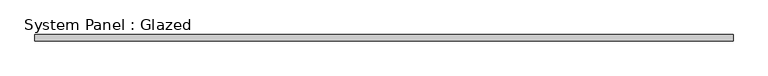
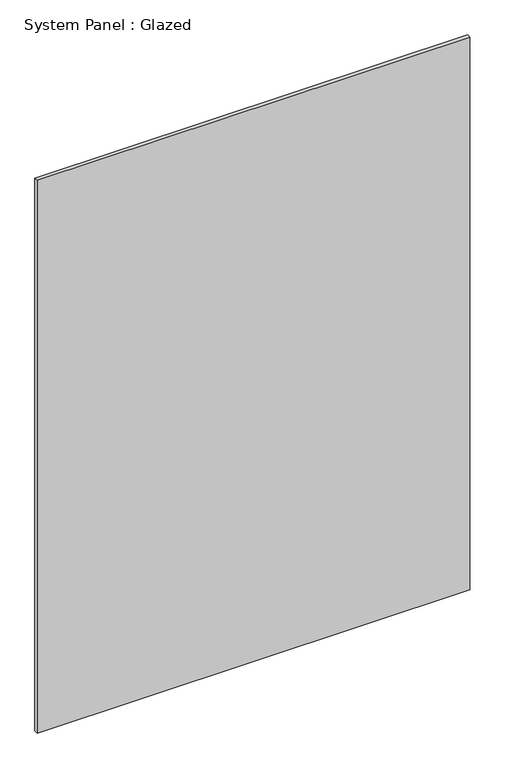
"""IFC4 building model written with IfcOpenShell, lengths in millimetres: plate geometry, System Panel : Glazed."""

from ifc_helpers import new_model, si_unit, origin, origin_with_axes, place, context, project, spatial, polyline, outline, extrude, source, transform, mapped, element, save


def system_panel_glazed_72aa6fd4(model_context):
    return source(origin(), model_context, "Body", "SweptSolid", [
        extrude(outline(polyline([(1425.0, -22.5), (-1425.0, -22.5), (-1425.0, 2.5), (1425.0, 2.5), (1425.0, -22.5)])), origin_with_axes(), (0.0, 0.0, 1.0), 3850.0),
    ])


if __name__ == "__main__":
    model = new_model("IFC4")
    model_context = context("Model", 3, world=origin())
    ifc_project = project(units=[si_unit("LENGTHUNIT", "METRE", prefix="MILLI")], contexts=[model_context])
    site = spatial("IfcSite", under=ifc_project)
    building = spatial("IfcBuilding", under=site)
    placement = place(None, origin())
    system_panel_glazed_shape = system_panel_glazed_72aa6fd4(model_context)
    element("IfcPlate", 1, ObjectType="System Panel : Glazed", at=placement, inside=building, context=model_context, shape_type="MappedRepresentation", body=[
        mapped(system_panel_glazed_shape, transform((0.0, 0.0, 0.0), x_axis=(1.0, 0.0, 0.0), y_axis=(0.0, 1.0, 0.0), z_axis=(0.0, 0.0, 1.0))),
    ])
    save(model, "model.ifc")
